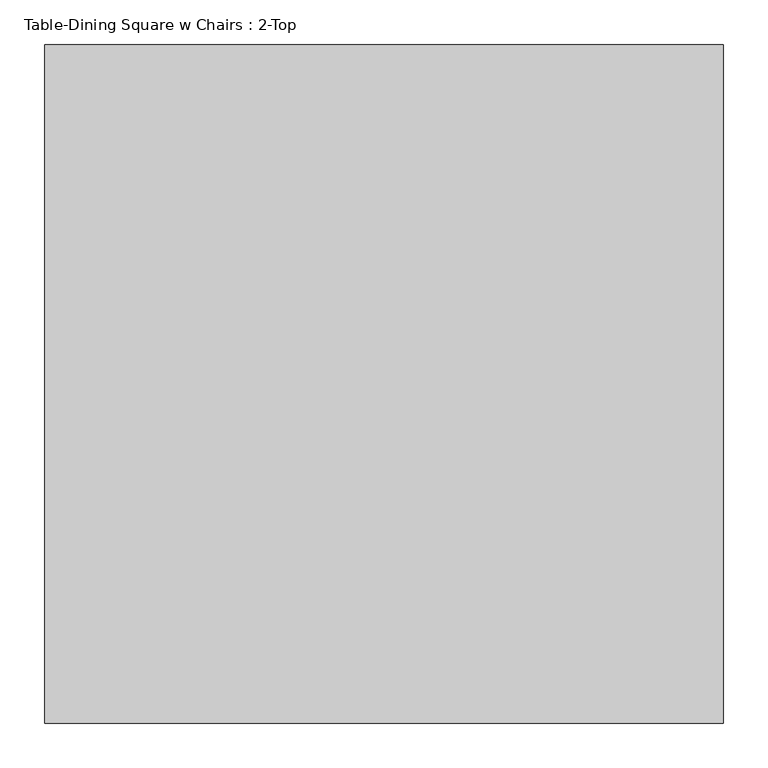
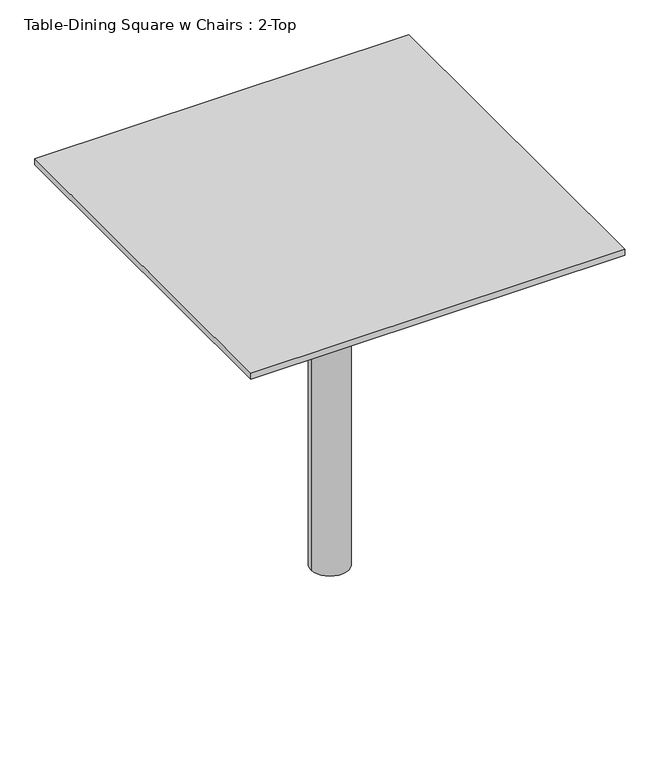
"""IFC4 building model written with IfcOpenShell, lengths in millimetres: furniture geometry, Table-Dining Square w Chairs : 2-Top."""

from ifc_helpers import new_model, si_unit, point, frame, frame_2d, origin, origin_with_axes, place, context, project, spatial, polyline, circle_curve, trimmed, segment, composite_curve, outline, extrude, source, transform, mapped, element, save


def table_dining_square_w_chairs_2_top_9fc96c8e(model_context):
    return source(origin(), model_context, "Body", "SweptSolid", [
        extrude(outline(composite_curve([segment(trimmed(circle_curve(frame_2d((103.6819672, 184.8786885)), 38.1), [point((65.5819672, 184.8786885))], [point((141.7819672, 184.8786885))], False, "CARTESIAN"), True, "CONTINUOUS"), segment(trimmed(circle_curve(frame_2d((103.6819672, 184.8786885)), 38.1), [point((141.7819672, 184.8786885))], [point((65.5819672, 184.8786885))], False, "CARTESIAN"), True, "CONTINUOUS")], self_intersect=False)), origin_with_axes(), (0.0, 0.0, 1.0), 698.5),
        extrude(outline(polyline([(484.681637, -196.1213115), (-277.318363, -196.1213115), (-277.318363, 565.8786885), (484.681637, 565.8786885), (484.681637, -196.1213115)])), frame((0.0, 0.0, 762.0), z_axis=(0.0, 0.0, 1.0), x_axis=(1.0, 0.0, 0.0)), (0.0, 0.0, 1.0), 12.7),
    ])


if __name__ == "__main__":
    model = new_model("IFC4")
    model_context = context("Model", 3, world=origin())
    ifc_project = project(units=[si_unit("LENGTHUNIT", "METRE", prefix="MILLI")], contexts=[model_context])
    site = spatial("IfcSite", under=ifc_project)
    building = spatial("IfcBuilding", under=site)
    placement = place(None, origin())
    table_dining_square_w_chairs_2_top_shape = table_dining_square_w_chairs_2_top_9fc96c8e(model_context)
    element("IfcFurniture", 1, ObjectType="Table-Dining Square w Chairs : 2-Top", at=placement, inside=building, context=model_context, shape_type="MappedRepresentation", body=[
        mapped(table_dining_square_w_chairs_2_top_shape, transform((0.0, 0.0, 0.0), x_axis=(1.0, 0.0, 0.0), y_axis=(0.0, 1.0, 0.0), z_axis=(0.0, 0.0, 1.0))),
    ])
    save(model, "model.ifc")
